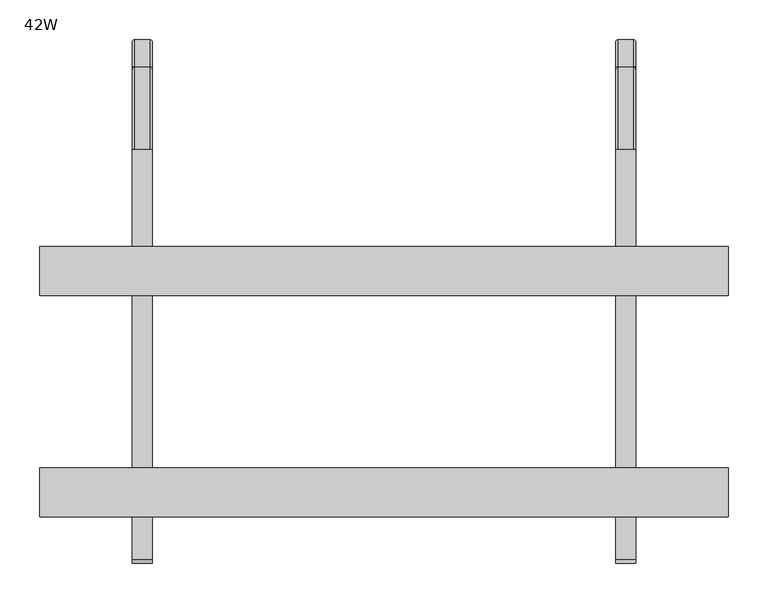
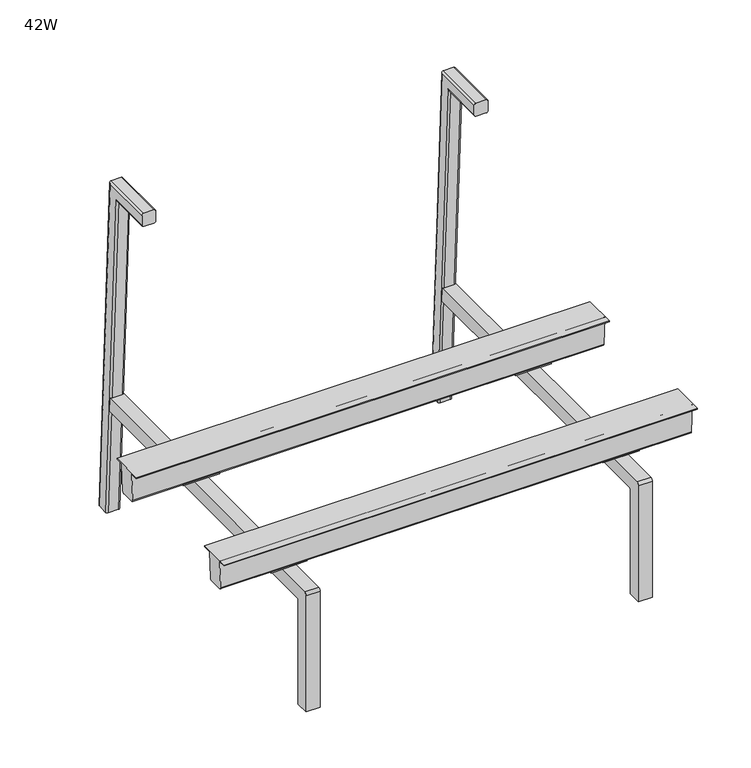
"""IFC4 building model written with IfcOpenShell, lengths in millimetres: furniture geometry, 42W."""

from ifc_helpers import new_model, si_unit, point, frame, frame_2d, origin, place, context, project, spatial, polyline, circle_curve, ellipse_curve, trimmed, segment, composite_curve, outline, extrude, source, transform, mapped, element, save
from ifc_brep_helpers import plane_surface, cylinder_surface, revolved_surface, advanced_brep


def furniture_42w_0a8fdecb(model_context):
    return source(origin(), model_context, "Body", "SolidModel", [
        advanced_brep(
        [(967.4864869, -262.4962837, 302.386969), (99.3135131, -262.4962837, 302.386969), (99.246985, -262.4962837, 304.2920853), (967.553015, -262.4962837, 304.2920853), (99.246985, -324.1654368, 304.2920853), (967.553015, -324.1654368, 304.2920853), (99.3135131, -324.1654368, 302.386969), (967.4864869, -324.1654368, 302.386969), (99.3135131, -309.9527199, 302.386969), (967.4864869, -309.9527199, 302.386969), (99.3459283, -309.0244696, 301.4587187), (967.4540717, -309.0244696, 301.4587187), (101.1356016, -309.0244696, 250.2091797), (965.6643984, -309.0244696, 250.2091797), (101.2647214, -305.326963, 246.5116732), (965.5352786, -305.326963, 246.5116732), (101.2647214, -281.5278777, 246.5116732), (965.5352786, -281.5278777, 246.5116732), (101.1305374, -277.6853512, 250.3541997), (965.6694626, -277.6853512, 250.3541997), (99.3489926, -277.6853512, 301.370969), (967.4510074, -277.6853512, 301.370969), (99.3135131, -276.6693512, 302.386969), (967.4864869, -276.6693512, 302.386969)],
        [
            (0, 1),
            (1, 2),
            (2, 3),
            (3, 0),
            (2, 4),
            (4, 5),
            (5, 3),
            (4, 6),
            (6, 7),
            (7, 5),
            (6, 8),
            (8, 9),
            (9, 7),
            (8, 10, ellipse_curve(frame((99.3459283, -309.9527199, 301.4587187), z_axis=(-0.9993908270190957, 0.0, -0.03489949670250283), x_axis=(-0.03489949670250301, 0.0, 0.9993908270190957)), 0.9288161, 0.9282503)),
            (10, 11),
            (11, 9, ellipse_curve(frame((967.4540717, -309.9527199, 301.4587187), z_axis=(0.9993908270190958, 0.0, -0.034899496702500345), x_axis=(-0.03489949670249913, 0.0, -0.9993908270190959)), 0.9288161, 0.9282503)),
            (10, 12),
            (12, 13),
            (13, 11),
            (12, 14, ellipse_curve(frame((101.1356016, -305.326963, 250.2091797), z_axis=(0.9993908270190957, 0.0, 0.03489949670250283), x_axis=(0.03489949670250301, 0.0, -0.9993908270190957)), 3.6997604, 3.6975066)),
            (14, 15),
            (15, 13, ellipse_curve(frame((965.6643984, -305.326963, 250.2091797), z_axis=(-0.9993908270190958, 0.0, 0.034899496702500345), x_axis=(0.03489949670249913, 0.0, 0.9993908270190959)), 3.6997604, 3.6975066)),
            (14, 16),
            (16, 17),
            (17, 15),
            (16, 18, ellipse_curve(frame((101.1305374, -281.5278777, 250.3541997), z_axis=(0.9993908270190957, 0.0, 0.03489949670250283), x_axis=(0.03489949670250301, 0.0, -0.9993908270190957)), 3.8448687, 3.8425266)),
            (18, 19),
            (19, 17, ellipse_curve(frame((965.6694626, -281.5278777, 250.3541997), z_axis=(-0.9993908270190958, 0.0, 0.034899496702500345), x_axis=(0.03489949670249913, 0.0, 0.9993908270190959)), 3.8448687, 3.8425266)),
            (18, 20),
            (20, 21),
            (21, 19),
            (20, 22, ellipse_curve(frame((99.3489926, -276.6693512, 301.370969), z_axis=(-0.9993908270190957, 0.0, -0.03489949670250283), x_axis=(-0.03489949670250301, 0.0, 0.9993908270190957)), 1.0166193, 1.016)),
            (22, 23),
            (23, 21, ellipse_curve(frame((967.4510074, -276.6693512, 301.370969), z_axis=(0.9993908270190958, 0.0, -0.034899496702500345), x_axis=(-0.03489949670249913, 0.0, -0.9993908270190959)), 1.0166193, 1.016)),
            (0, 23),
            (22, 1),
        ],
        [
            plane_surface(frame((996.95, -262.4962837, 302.386969), z_axis=(0.0, 1.0, 0.0), x_axis=(-1.0, 0.0, 0.0))),
            plane_surface(frame((996.95, -262.4962837, 304.2920853), z_axis=(0.0, 0.0, 1.0), x_axis=(-1.0, 0.0, 0.0))),
            plane_surface(frame((996.95, -324.1654368, 304.2920853), z_axis=(0.0, -1.0, 0.0), x_axis=(-1.0, 0.0, 0.0))),
            plane_surface(frame((996.95, -324.1654368, 302.386969), z_axis=(0.0, 0.0, -1.0), x_axis=(-1.0, 0.0, 0.0))),
            revolved_surface(polyline([(99.31351308558081, -310.8809702, 301.4587187), (967.4864869144192, -310.8809702, 301.4587187)]), (69.85, -309.9527199, 301.4587187), (-1.0, 0.0, 0.0)),
            plane_surface(frame((996.95, -309.0244696, 301.4587187), z_axis=(0.0, -1.0, 0.0), x_axis=(-1.0, 0.0, 0.0))),
            cylinder_surface(frame((69.85, -305.326963, 250.2091797), z_axis=(1.0, 0.0, 0.0), x_axis=(0.0, -1.0, 0.0)), 3.6975066),
            plane_surface(frame((996.95, -305.326963, 246.5116732), z_axis=(0.0, 0.0, -1.0), x_axis=(-1.0, 0.0, 0.0))),
            cylinder_surface(frame((69.85, -281.5278777, 250.3541997), z_axis=(1.0, 0.0, 0.0), x_axis=(0.0, -1.0, 0.0)), 3.8425266),
            plane_surface(frame((996.95, -277.6853512, 250.3541997), z_axis=(0.0, 1.0, 0.0), x_axis=(-1.0, 0.0, 0.0))),
            revolved_surface(polyline([(99.31351309809196, -277.6853512, 301.370969), (967.486486901908, -277.6853512, 301.370969)]), (69.85, -276.6693512, 301.370969), (-1.0, 0.0, 0.0)),
            plane_surface(frame((996.95, -276.6693512, 302.386969), z_axis=(0.0, 0.0, -1.0), x_axis=(-1.0, 0.0, 0.0))),
            plane_surface(frame((99.246985, -115.8078763, 304.2920853), z_axis=(-0.9993908270190957, 0.0, -0.03489949670250283), x_axis=(0.0, -1.0, 0.0))),
            plane_surface(frame((964.228838, -115.8078763, 209.100109), z_axis=(0.9993908270190958, 0.0, -0.034899496702500345), x_axis=(0.0, -1.0, 0.0))),
        ],
        [
            (0, [[1, 2, 3, 4]]),
            (1, [[-3, 5, 6, 7]]),
            (2, [[-6, 8, 9, 10]]),
            (3, [[-9, 11, 12, 13]]),
            (4, [[-12, 14, 15, 16]]),
            (5, [[-15, 17, 18, 19]]),
            (6, [[-18, 20, 21, 22]]),
            (7, [[-21, 23, 24, 25]]),
            (8, [[-24, 26, 27, 28]]),
            (9, [[-27, 29, 30, 31]]),
            (10, [[-30, 32, 33, 34]]),
            (11, [[-1, 35, -33, 36]]),
            (12, [[-2, -36, -32, -29, -26, -23, -20, -17, -14, -11, -8, -5]]),
            (13, [[-4, -7, -10, -13, -16, -19, -22, -25, -28, -31, -34, -35]]),
        ],
    ),
        advanced_brep(
        [(967.4864869, -541.7947355, 302.386969), (99.3135131, -541.7947355, 302.386969), (99.246985, -541.7947355, 304.2920853), (967.553015, -541.7947355, 304.2920853), (99.246985, -603.4638886, 304.2920853), (967.553015, -603.4638886, 304.2920853), (99.3135131, -603.4638886, 302.386969), (967.4864869, -603.4638886, 302.386969), (99.3135131, -589.2511716, 302.386969), (967.4864869, -589.2511716, 302.386969), (99.3459283, -588.3229213, 301.4587187), (967.4540717, -588.3229213, 301.4587187), (101.1356016, -588.3229213, 250.2091797), (965.6643984, -588.3229213, 250.2091797), (101.2647214, -584.6254147, 246.5116732), (965.5352786, -584.6254147, 246.5116732), (101.2647214, -560.8263295, 246.5116732), (965.5352786, -560.8263295, 246.5116732), (101.1305374, -556.9838029, 250.3541997), (965.6694626, -556.9838029, 250.3541997), (99.3489926, -556.9838029, 301.370969), (967.4510074, -556.9838029, 301.370969), (99.3135131, -555.9678029, 302.386969), (967.4864869, -555.9678029, 302.386969)],
        [
            (0, 1),
            (1, 2),
            (2, 3),
            (3, 0),
            (2, 4),
            (4, 5),
            (5, 3),
            (4, 6),
            (6, 7),
            (7, 5),
            (6, 8),
            (8, 9),
            (9, 7),
            (8, 10, ellipse_curve(frame((99.3459283, -589.2511716, 301.4587187), z_axis=(-0.9993908270190957, 0.0, -0.03489949670250283), x_axis=(-0.03489949670250301, 0.0, 0.9993908270190957)), 0.9288161, 0.9282503)),
            (10, 11),
            (11, 9, ellipse_curve(frame((967.4540717, -589.2511716, 301.4587187), z_axis=(0.9993908270190958, 0.0, -0.034899496702500345), x_axis=(-0.03489949670249913, 0.0, -0.9993908270190959)), 0.9288161, 0.9282503)),
            (10, 12),
            (12, 13),
            (13, 11),
            (12, 14, ellipse_curve(frame((101.1356016, -584.6254147, 250.2091797), z_axis=(0.9993908270190957, 0.0, 0.03489949670250283), x_axis=(0.03489949670250301, 0.0, -0.9993908270190957)), 3.6997604, 3.6975066)),
            (14, 15),
            (15, 13, ellipse_curve(frame((965.6643984, -584.6254147, 250.2091797), z_axis=(-0.9993908270190958, 0.0, 0.034899496702500345), x_axis=(0.03489949670249913, 0.0, 0.9993908270190959)), 3.6997604, 3.6975066)),
            (14, 16),
            (16, 17),
            (17, 15),
            (16, 18, ellipse_curve(frame((101.1305374, -560.8263295, 250.3541997), z_axis=(0.9993908270190957, 0.0, 0.03489949670250283), x_axis=(0.03489949670250301, 0.0, -0.9993908270190957)), 3.8448687, 3.8425266)),
            (18, 19),
            (19, 17, ellipse_curve(frame((965.6694626, -560.8263295, 250.3541997), z_axis=(-0.9993908270190958, 0.0, 0.034899496702500345), x_axis=(0.03489949670249913, 0.0, 0.9993908270190959)), 3.8448687, 3.8425266)),
            (18, 20),
            (20, 21),
            (21, 19),
            (20, 22, ellipse_curve(frame((99.3489926, -555.9678029, 301.370969), z_axis=(-0.9993908270190957, 0.0, -0.03489949670250283), x_axis=(-0.03489949670250301, 0.0, 0.9993908270190957)), 1.0166193, 1.016)),
            (22, 23),
            (23, 21, ellipse_curve(frame((967.4510074, -555.9678029, 301.370969), z_axis=(0.9993908270190958, 0.0, -0.034899496702500345), x_axis=(-0.03489949670249913, 0.0, -0.9993908270190959)), 1.0166193, 1.016)),
            (0, 23),
            (22, 1),
        ],
        [
            plane_surface(frame((996.95, -541.7947355, 302.386969), z_axis=(0.0, 1.0, 0.0), x_axis=(-1.0, 0.0, 0.0))),
            plane_surface(frame((996.95, -541.7947355, 304.2920853), z_axis=(0.0, 0.0, 1.0), x_axis=(-1.0, 0.0, 0.0))),
            plane_surface(frame((996.95, -603.4638886, 304.2920853), z_axis=(0.0, -1.0, 0.0), x_axis=(-1.0, 0.0, 0.0))),
            plane_surface(frame((996.95, -603.4638886, 302.386969), z_axis=(0.0, 0.0, -1.0), x_axis=(-1.0, 0.0, 0.0))),
            revolved_surface(polyline([(99.31351308558078, -590.1794219, 301.4587187), (967.4864869144192, -590.1794219, 301.4587187)]), (533.4, -589.2511716, 301.4587187), (-1.0, 0.0, 0.0)),
            plane_surface(frame((996.95, -588.3229213, 301.4587187), z_axis=(0.0, -1.0, 0.0), x_axis=(-1.0, 0.0, 0.0))),
            cylinder_surface(frame((533.4, -584.6254147, 250.2091797), z_axis=(1.0, 0.0, 0.0), x_axis=(0.0, -1.0, 0.0)), 3.6975066),
            plane_surface(frame((996.95, -584.6254147, 246.5116732), z_axis=(0.0, 0.0, -1.0), x_axis=(-1.0, 0.0, 0.0))),
            cylinder_surface(frame((533.4, -560.8263295, 250.3541997), z_axis=(1.0, 0.0, 0.0), x_axis=(0.0, -1.0, 0.0)), 3.8425266),
            plane_surface(frame((996.95, -556.9838029, 250.3541997), z_axis=(0.0, 1.0, 0.0), x_axis=(-1.0, 0.0, 0.0))),
            revolved_surface(polyline([(99.3135130980919, -556.9838029, 301.370969), (967.486486901908, -556.9838029, 301.370969)]), (533.4, -555.9678029, 301.370969), (-1.0, 0.0, 0.0)),
            plane_surface(frame((996.95, -555.9678029, 302.386969), z_axis=(0.0, 0.0, -1.0), x_axis=(-1.0, 0.0, 0.0))),
            plane_surface(frame((99.246985, -115.8078763, 304.2920853), z_axis=(-0.9993908270190957, 0.0, -0.03489949670250283), x_axis=(0.0, -1.0, 0.0))),
            plane_surface(frame((964.228838, -115.8078763, 209.100109), z_axis=(0.9993908270190958, 0.0, -0.034899496702500345), x_axis=(0.0, -1.0, 0.0))),
        ],
        [
            (0, [[1, 2, 3, 4]]),
            (1, [[-3, 5, 6, 7]]),
            (2, [[-6, 8, 9, 10]]),
            (3, [[-9, 11, 12, 13]]),
            (4, [[-12, 14, 15, 16]]),
            (5, [[-15, 17, 18, 19]]),
            (6, [[-18, 20, 21, 22]]),
            (7, [[-21, 23, 24, 25]]),
            (8, [[-24, 26, 27, 28]]),
            (9, [[-27, 29, 30, 31]]),
            (10, [[-30, 32, 33, 34]]),
            (11, [[-1, 35, -33, 36]]),
            (12, [[-2, -36, -32, -29, -26, -23, -20, -17, -14, -11, -8, -5]]),
            (13, [[-4, -7, -10, -13, -16, -19, -22, -25, -28, -31, -34, -35]]),
        ],
    ),
        extrude(outline(polyline([(195.4283329, -280.6573845), (262.1033329, -280.6573845), (262.1033329, -306.0574087), (195.4283329, -306.0574087), (195.4283329, -280.6573845)])), frame((0.0, 0.0, 244.2209457), z_axis=(0.0, 0.0, 1.0), x_axis=(1.0, 0.0, 0.0)), (0.0, 0.0, 1.0), 3.0479971),
        extrude(outline(polyline([(805.0284298, -280.6573845), (871.7034782, -280.6573845), (871.7034782, -306.0574087), (805.0284298, -306.0574087), (805.0284298, -280.6573845)])), frame((0.0, 0.0, 244.2209215), z_axis=(0.0, 0.0, 1.0), x_axis=(1.0, 0.0, 0.0)), (0.0, 0.0, 1.0), 3.0480213),
        extrude(outline(polyline([(262.1033329, -585.4573845), (195.4283329, -585.4573845), (195.4283329, -559.9844727), (262.1033329, -559.9844727), (262.1033329, -585.4573845)])), frame((0.0, 0.0, 244.1713364), z_axis=(0.0, 0.0, 1.0), x_axis=(1.0, 0.0, 0.0)), (0.0, 0.0, 1.0), 3.0976065),
        extrude(outline(polyline([(871.7034782, -585.4573845), (805.0284298, -585.4573845), (805.0284298, -559.9844727), (871.7034782, -559.9844727), (871.7034782, -585.4573845)])), frame((0.0, 0.0, 244.1713121), z_axis=(0.0, 0.0, 1.0), x_axis=(1.0, 0.0, 0.0)), (0.0, 0.0, 1.0), 3.0976307),
        advanced_brep(
        [(829.056, -140.07523, 663.2784096), (825.5, -140.07523, 659.7224096), (825.5, -140.07523, 641.490753), (829.056, -140.07523, 637.934753), (847.3815341, -140.07523, 637.934753), (850.9, -140.07523, 641.4532189), (850.9, -140.07523, 659.8422341), (847.4638245, -140.07523, 663.2784096), (847.4638245, -35.6046233, 663.2784096), (829.056, -35.6046233, 663.2784096), (850.9, -38.865432, 659.8422341), (850.9, -56.3159558, 641.4532189), (850.9, -23.4408219, 14.1582936), (850.9, -5.0770082, 15.1207003), (847.3815341, -59.6548553, 637.934753), (829.056, -59.6548553, 637.934753), (825.5, -56.2803373, 641.490753), (825.5, -38.9791413, 659.7224096), (825.5, -5.1966685, 15.1144291), (825.5, -23.4033392, 14.160258), (829.056, -1.6455419, 15.3005358), (847.4638245, -1.6455419, 15.3005358), (847.3815341, -26.9544658, 13.9741513), (829.056, -26.9544658, 13.9741513)],
        [
            (0, 1, circle_curve(frame((829.056, -140.07523, 659.7224096), z_axis=(0.0, -1.0, 0.0), x_axis=(0.0, 0.0, 1.0)), 3.556)),
            (1, 2),
            (2, 3, circle_curve(frame((829.056, -140.07523, 641.490753), z_axis=(0.0, -1.0, 0.0), x_axis=(0.0, 0.0, 1.0)), 3.556)),
            (3, 4),
            (4, 5, circle_curve(frame((847.3815341, -140.07523, 641.4532189), z_axis=(0.0, -1.0, 0.0), x_axis=(0.0, 0.0, 1.0)), 3.5184659)),
            (5, 6),
            (6, 7, circle_curve(frame((847.4638245, -140.07523, 659.8422341), z_axis=(0.0, -1.0, 0.0), x_axis=(0.0, 0.0, 1.0)), 3.4361755)),
            (7, 0),
            (7, 8),
            (8, 9),
            (9, 0),
            (6, 10),
            (10, 8, ellipse_curve(frame((847.4638245, -38.865432, 659.8422341), z_axis=(0.0, -0.7253743710122881, 0.6883545756937534), x_axis=(0.0, -0.6883545756937536, -0.725374371012288)), 4.7371062, 3.4361755)),
            (5, 11),
            (11, 12),
            (12, 13),
            (13, 10),
            (4, 14),
            (14, 11, ellipse_curve(frame((847.3815341, -56.3159558, 641.4532189), z_axis=(0.0, -0.7253743710122881, 0.6883545756937534), x_axis=(0.0, -0.6883545756937536, -0.725374371012288)), 4.8505517, 3.5184659)),
            (3, 15),
            (15, 14),
            (2, 16),
            (16, 15, ellipse_curve(frame((829.056, -56.2803373, 641.490753), z_axis=(0.0, -0.7253743710122881, 0.6883545756937534), x_axis=(0.0, -0.6883545756937536, -0.725374371012288)), 4.9022962, 3.556)),
            (1, 17),
            (17, 18),
            (18, 19),
            (19, 16),
            (9, 17, ellipse_curve(frame((829.056, -38.9791413, 659.7224096), z_axis=(0.0, -0.7253743710122881, 0.6883545756937534), x_axis=(0.0, -0.6883545756937536, -0.725374371012288)), 4.9022962, 3.556)),
            (20, 21),
            (21, 13, circle_curve(frame((847.4638245, -5.0770082, 15.1207003), z_axis=(0.0, 0.0523359562429453, -0.9986295347545738), x_axis=(0.0, 0.9986295347545738, 0.0523359562429453)), 3.4361755)),
            (12, 22, circle_curve(frame((847.3815341, -23.4408219, 14.1582936), z_axis=(0.0, 0.0523359562429453, -0.9986295347545738), x_axis=(0.0, 0.9986295347545738, 0.0523359562429453)), 3.5184659)),
            (22, 23),
            (23, 19, circle_curve(frame((829.056, -23.4033392, 14.160258), z_axis=(0.0, 0.0523359562429453, -0.9986295347545738), x_axis=(0.0, 0.9986295347545738, 0.0523359562429453)), 3.556)),
            (18, 20, circle_curve(frame((829.056, -5.1966685, 15.1144291), z_axis=(0.0, 0.0523359562429453, -0.9986295347545738), x_axis=(0.0, 0.9986295347545738, 0.0523359562429453)), 3.556)),
            (8, 21),
            (20, 9),
            (14, 22),
            (15, 23),
        ],
        [
            plane_surface(frame((850.9, -140.07523, 663.2784096), z_axis=(0.0, -1.0, 0.0), x_axis=(1.0, 0.0, 0.0))),
            plane_surface(frame((847.4638245, -140.07523, 663.2784096), z_axis=(0.0, 0.0, 1.0), x_axis=(0.0, 1.0, 0.0))),
            cylinder_surface(frame((847.4638245, -140.07523, 659.8422341), z_axis=(0.0, -1.0, 0.0), x_axis=(0.0, 0.0, 1.0)), 3.4361755),
            plane_surface(frame((850.9, -140.07523, 641.4532189), z_axis=(1.0, 0.0, 0.0), x_axis=(0.0, 1.0, 0.0))),
            cylinder_surface(frame((847.3815341, -140.07523, 641.4532189), z_axis=(0.0, -1.0, 0.0), x_axis=(0.0, 0.0, 1.0)), 3.5184659),
            plane_surface(frame((829.056, -140.07523, 637.934753), z_axis=(0.0, 0.0, -1.0), x_axis=(0.0, 1.0, 0.0))),
            cylinder_surface(frame((829.056, -140.07523, 641.490753), z_axis=(0.0, -1.0, 0.0), x_axis=(0.0, 0.0, 1.0)), 3.556),
            plane_surface(frame((825.5, -140.07523, 659.7224096), z_axis=(-1.0, 0.0, 0.0), x_axis=(0.0, 1.0, 0.0))),
            cylinder_surface(frame((829.056, -140.07523, 659.7224096), z_axis=(0.0, -1.0, 0.0), x_axis=(0.0, 0.0, 1.0)), 3.556),
            plane_surface(frame((850.9, -1.6455419, 15.3005358), z_axis=(0.0, 0.0523359562429453, -0.9986295347545738), x_axis=(1.0, 0.0, 0.0))),
            plane_surface(frame((847.4638245, -35.6046233, 663.2784096), z_axis=(0.0, 0.9986295347545738, 0.05233595624294536), x_axis=(0.0, 0.05233595624294536, -0.9986295347545738))),
            cylinder_surface(frame((847.4638245, -39.0360896, 663.098574), z_axis=(0.0, -0.0523359562429453, 0.9986295347545738), x_axis=(0.0, 0.9986295347545738, 0.0523359562429453)), 3.4361755),
            cylinder_surface(frame((847.3815341, -57.3999032, 662.1361674), z_axis=(0.0, -0.0523359562429453, 0.9986295347545738), x_axis=(0.0, 0.9986295347545738, 0.0523359562429453)), 3.5184659),
            plane_surface(frame((829.056, -59.6548553, 637.934753), z_axis=(0.0, -0.9986295347545738, -0.05233595624294536), x_axis=(0.0, 0.05233595624294536, -0.9986295347545738))),
            cylinder_surface(frame((829.056, -57.3624206, 662.1381317), z_axis=(0.0, -0.0523359562429453, 0.9986295347545738), x_axis=(0.0, 0.9986295347545738, 0.0523359562429453)), 3.556),
            cylinder_surface(frame((829.056, -39.1557499, 663.0923029), z_axis=(0.0, -0.0523359562429453, 0.9986295347545738), x_axis=(0.0, 0.9986295347545738, 0.0523359562429453)), 3.556),
        ],
        [
            (0, [[1, 2, 3, 4, 5, 6, 7, 8]]),
            (1, [[-8, 9, 10, 11]]),
            (2, [[-7, 12, 13, -9]]),
            (3, [[-6, 14, 15, 16, 17, -12]]),
            (4, [[-5, 18, 19, -14]]),
            (5, [[-4, 20, 21, -18]]),
            (6, [[-3, 22, 23, -20]]),
            (7, [[-2, 24, 25, 26, 27, -22]]),
            (8, [[-1, -11, 28, -24]]),
            (9, [[29, 30, -16, 31, 32, 33, -26, 34]]),
            (10, [[-10, 35, -29, 36]]),
            (11, [[-13, -17, -30, -35]]),
            (12, [[-19, 37, -31, -15]]),
            (13, [[-21, 38, -32, -37]]),
            (14, [[-23, -27, -33, -38]]),
            (15, [[-28, -36, -34, -25]]),
        ],
    ),
        advanced_brep(
        [(237.744, -140.07523, 663.2784096), (219.3361755, -140.07523, 663.2784096), (215.9, -140.07523, 659.8422341), (215.9, -140.07523, 641.4532189), (219.4184659, -140.07523, 637.934753), (237.744, -140.07523, 637.934753), (241.3, -140.07523, 641.490753), (241.3, -140.07523, 659.7224096), (237.744, -35.6046233, 663.2784096), (219.3361755, -35.6046233, 663.2784096), (215.9, -38.865432, 659.8422341), (215.9, -5.0770082, 15.1207003), (215.9, -23.4408219, 14.1582936), (215.9, -56.3159558, 641.4532189), (219.4184659, -59.6548553, 637.934753), (237.744, -59.6548553, 637.934753), (241.3, -56.2803373, 641.490753), (241.3, -23.4033392, 14.160258), (241.3, -5.1966685, 15.1144291), (241.3, -38.9791413, 659.7224096), (237.744, -1.6455419, 15.3005358), (237.744, -26.9544658, 13.9741513), (219.4184659, -26.9544658, 13.9741513), (219.3361755, -1.6455419, 15.3005358)],
        [
            (0, 1),
            (1, 2, circle_curve(frame((219.3361755, -140.07523, 659.8422341), z_axis=(0.0, -1.0, 0.0), x_axis=(0.0, 0.0, -1.0)), 3.4361755)),
            (2, 3),
            (3, 4, circle_curve(frame((219.4184659, -140.07523, 641.4532189), z_axis=(0.0, -1.0, 0.0), x_axis=(0.0, 0.0, -1.0)), 3.5184659)),
            (4, 5),
            (5, 6, circle_curve(frame((237.744, -140.07523, 641.490753), z_axis=(0.0, -1.0, 0.0), x_axis=(0.0, 0.0, -1.0)), 3.556)),
            (6, 7),
            (7, 0, circle_curve(frame((237.744, -140.07523, 659.7224096), z_axis=(0.0, -1.0, 0.0), x_axis=(0.0, 0.0, -1.0)), 3.556)),
            (0, 8),
            (8, 9),
            (9, 1),
            (9, 10, ellipse_curve(frame((219.3361755, -38.865432, 659.8422341), z_axis=(0.0, -0.7253743710122893, 0.6883545756937522), x_axis=(0.0, -0.6883545756937522, -0.7253743710122893)), 4.7371062, 3.4361755)),
            (10, 2),
            (10, 11),
            (11, 12),
            (12, 13),
            (13, 3),
            (13, 14, ellipse_curve(frame((219.4184659, -56.3159558, 641.4532189), z_axis=(0.0, -0.7253743710122893, 0.6883545756937522), x_axis=(0.0, -0.6883545756937522, -0.7253743710122893)), 4.8505517, 3.5184659)),
            (14, 4),
            (14, 15),
            (15, 5),
            (15, 16, ellipse_curve(frame((237.744, -56.2803373, 641.490753), z_axis=(0.0, -0.7253743710122893, 0.6883545756937522), x_axis=(0.0, -0.6883545756937522, -0.7253743710122893)), 4.9022962, 3.556)),
            (16, 6),
            (16, 17),
            (17, 18),
            (18, 19),
            (19, 7),
            (19, 8, ellipse_curve(frame((237.744, -38.9791413, 659.7224096), z_axis=(0.0, -0.7253743710122893, 0.6883545756937522), x_axis=(0.0, -0.6883545756937522, -0.7253743710122893)), 4.9022962, 3.556)),
            (20, 18, circle_curve(frame((237.744, -5.1966685, 15.1144291), z_axis=(0.0, 0.05233595624294532, -0.9986295347545738), x_axis=(0.0, -0.9986295347545738, -0.05233595624294532)), 3.556)),
            (17, 21, circle_curve(frame((237.744, -23.4033392, 14.160258), z_axis=(0.0, 0.05233595624294532, -0.9986295347545738), x_axis=(0.0, -0.9986295347545738, -0.05233595624294532)), 3.556)),
            (21, 22),
            (22, 12, circle_curve(frame((219.4184659, -23.4408219, 14.1582936), z_axis=(0.0, 0.05233595624294532, -0.9986295347545738), x_axis=(0.0, -0.9986295347545738, -0.05233595624294532)), 3.5184659)),
            (11, 23, circle_curve(frame((219.3361755, -5.0770082, 15.1207003), z_axis=(0.0, 0.05233595624294532, -0.9986295347545738), x_axis=(0.0, -0.9986295347545738, -0.05233595624294532)), 3.4361755)),
            (23, 20),
            (8, 20),
            (23, 9),
            (22, 14),
            (21, 15),
        ],
        [
            plane_surface(frame((215.9, -140.07523, 663.2784096), z_axis=(0.0, -1.0, 0.0), x_axis=(-1.0, 0.0, 0.0))),
            plane_surface(frame((237.744, -140.07523, 663.2784096), z_axis=(0.0, 0.0, 1.0), x_axis=(0.0, 1.0, 0.0))),
            cylinder_surface(frame((219.3361755, -140.07523, 659.8422341), z_axis=(0.0, -1.0, 0.0), x_axis=(0.0, 0.0, -1.0)), 3.4361755),
            plane_surface(frame((215.9, -140.07523, 659.8422341), z_axis=(-1.0, 0.0, 0.0), x_axis=(0.0, 1.0, 0.0))),
            cylinder_surface(frame((219.4184659, -140.07523, 641.4532189), z_axis=(0.0, -1.0, 0.0), x_axis=(0.0, 0.0, -1.0)), 3.5184659),
            plane_surface(frame((219.4184659, -140.07523, 637.934753), z_axis=(0.0, 0.0, -1.0), x_axis=(0.0, 1.0, 0.0))),
            cylinder_surface(frame((237.744, -140.07523, 641.490753), z_axis=(0.0, -1.0, 0.0), x_axis=(0.0, 0.0, -1.0)), 3.556),
            plane_surface(frame((241.3, -140.07523, 641.490753), z_axis=(1.0, 0.0, 0.0), x_axis=(0.0, 1.0, 0.0))),
            cylinder_surface(frame((237.744, -140.07523, 659.7224096), z_axis=(0.0, -1.0, 0.0), x_axis=(0.0, 0.0, -1.0)), 3.556),
            plane_surface(frame((215.9, -1.6455419, 15.3005358), z_axis=(0.0, 0.05233595624294531, -0.9986295347545738), x_axis=(-1.0, 0.0, 0.0))),
            plane_surface(frame((237.744, -35.6046233, 663.2784096), z_axis=(0.0, 0.9986295347545738, 0.05233595624294531), x_axis=(0.0, 0.05233595624294531, -0.9986295347545738))),
            cylinder_surface(frame((219.3361755, -39.0360896, 663.098574), z_axis=(0.0, -0.05233595624294532, 0.9986295347545738), x_axis=(0.0, -0.9986295347545738, -0.05233595624294532)), 3.4361755),
            cylinder_surface(frame((219.4184659, -57.3999032, 662.1361674), z_axis=(0.0, -0.05233595624294532, 0.9986295347545738), x_axis=(0.0, -0.9986295347545738, -0.05233595624294532)), 3.5184659),
            plane_surface(frame((219.4184659, -59.6548553, 637.934753), z_axis=(0.0, -0.9986295347545738, -0.05233595624294525), x_axis=(0.0, 0.05233595624294525, -0.9986295347545738))),
            cylinder_surface(frame((237.744, -57.3624206, 662.1381317), z_axis=(0.0, -0.05233595624294532, 0.9986295347545738), x_axis=(0.0, -0.9986295347545738, -0.05233595624294532)), 3.556),
            cylinder_surface(frame((237.744, -39.1557499, 663.0923029), z_axis=(0.0, -0.05233595624294532, 0.9986295347545738), x_axis=(0.0, -0.9986295347545738, -0.05233595624294532)), 3.556),
        ],
        [
            (0, [[1, 2, 3, 4, 5, 6, 7, 8]]),
            (1, [[-1, 9, 10, 11]]),
            (2, [[-2, -11, 12, 13]]),
            (3, [[-3, -13, 14, 15, 16, 17]]),
            (4, [[-4, -17, 18, 19]]),
            (5, [[-5, -19, 20, 21]]),
            (6, [[-6, -21, 22, 23]]),
            (7, [[-7, -23, 24, 25, 26, 27]]),
            (8, [[-8, -27, 28, -9]]),
            (9, [[29, -25, 30, 31, 32, -15, 33, 34]]),
            (10, [[-10, 35, -34, 36]]),
            (11, [[-12, -36, -33, -14]]),
            (12, [[-18, -16, -32, 37]]),
            (13, [[-20, -37, -31, 38]]),
            (14, [[-22, -38, -30, -24]]),
            (15, [[-28, -26, -29, -35]]),
        ],
    ),
        extrude(outline(composite_curve([segment(polyline([(-662.1146725, 14.1031489), (-662.1146725, 239.2936032)]), True, "CONTINUOUS"), segment(trimmed(circle_curve(frame_2d((-657.234081, 239.2936032)), 4.8805915), [point((-662.1146725, 239.2936032))], [point((-657.234081, 244.1741947))], False, "CARTESIAN"), True, "CONTINUOUS"), segment(polyline([(-657.234081, 244.1741947), (-39.0060493, 244.1741947), (-37.7444469, 218.7742432), (-633.6487025, 218.7742432)]), True, "CONTINUOUS"), segment(trimmed(circle_curve(frame_2d((-633.6487025, 215.7082732)), 3.06597), [point((-633.6487025, 218.7742432))], [point((-636.7146725, 215.7082732))], True, "CARTESIAN"), True, "CONTINUOUS"), segment(polyline([(-636.7146725, 215.7082732), (-636.7146725, 14.1031489), (-662.1146725, 14.1031489)]), True, "CONTINUOUS")], self_intersect=False)), frame((215.9, 0.0, 0.0), z_axis=(1.0, 0.0, 0.0), x_axis=(0.0, 1.0, 0.0)), (0.0, 0.0, 1.0), 25.4),
        extrude(outline(composite_curve([segment(polyline([(-662.1146725, 14.1031489), (-662.1146725, 239.2936032)]), True, "CONTINUOUS"), segment(trimmed(circle_curve(frame_2d((-657.234081, 239.2936032)), 4.8805915), [point((-662.1146725, 239.2936032))], [point((-657.234081, 244.1741947))], False, "CARTESIAN"), True, "CONTINUOUS"), segment(polyline([(-657.234081, 244.1741947), (-39.0060493, 244.1741947), (-37.7444469, 218.7742432), (-633.6487025, 218.7742432)]), True, "CONTINUOUS"), segment(trimmed(circle_curve(frame_2d((-633.6487025, 215.7082732)), 3.06597), [point((-633.6487025, 218.7742432))], [point((-636.7146725, 215.7082732))], True, "CARTESIAN"), True, "CONTINUOUS"), segment(polyline([(-636.7146725, 215.7082732), (-636.7146725, 14.1031489), (-662.1146725, 14.1031489)]), True, "CONTINUOUS")], self_intersect=False)), frame((825.5, 0.0, 0.0), z_axis=(1.0, 0.0, 0.0), x_axis=(0.0, 1.0, 0.0)), (0.0, 0.0, 1.0), 25.4),
    ])


if __name__ == "__main__":
    model = new_model("IFC4")
    model_context = context("Model", 3, world=origin())
    ifc_project = project(units=[si_unit("LENGTHUNIT", "METRE", prefix="MILLI")], contexts=[model_context])
    site = spatial("IfcSite", under=ifc_project)
    building = spatial("IfcBuilding", under=site)
    placement = place(None, origin())
    furniture_42w_shape = furniture_42w_0a8fdecb(model_context)
    element("IfcFurniture", 1, ObjectType="42W", at=placement, inside=building, context=model_context, shape_type="MappedRepresentation", body=[
        mapped(furniture_42w_shape, transform((0.0, 0.0, 0.0), x_axis=(1.0, 0.0, 0.0), y_axis=(0.0, 1.0, 0.0), z_axis=(0.0, 0.0, 1.0))),
    ])
    save(model, "model.ifc")
